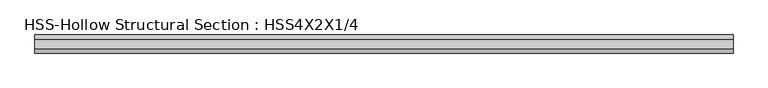
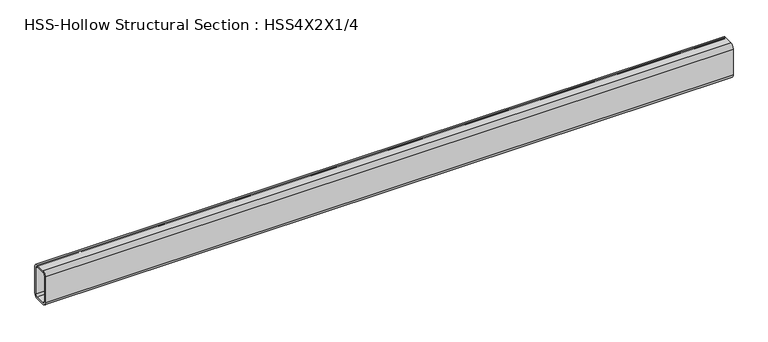
"""IFC4 building model written with IfcOpenShell, lengths in millimetres: beam geometry, HSS-Hollow Structural Section : HSS4X2X1/4."""

from ifc_helpers import new_model, si_unit, point, frame, frame_2d, origin, place, context, project, spatial, polyline, circle_curve, trimmed, segment, composite_curve, outline, extrude, source, transform, mapped, element, save


def hss_hollow_structural_section_hss4x2x1_4_acdd860f(model_context):
    return source(origin(), model_context, "Body", "SweptSolid", [
        extrude(outline(composite_curve([segment(polyline([(25.4, 38.9636), (25.4, -38.9636)]), True, "CONTINUOUS"), segment(trimmed(circle_curve(frame_2d((13.5636, -38.9636)), 11.8364), [point((25.4, -38.9636))], [point((13.5636, -50.8))], False, "CARTESIAN"), True, "CONTINUOUS"), segment(polyline([(13.5636, -50.8), (-13.5636, -50.8)]), True, "CONTINUOUS"), segment(trimmed(circle_curve(frame_2d((-13.5636, -38.9636)), 11.8364), [point((-13.5636, -50.8))], [point((-25.4, -38.9636))], False, "CARTESIAN"), True, "CONTINUOUS"), segment(polyline([(-25.4, -38.9636), (-25.4, 38.9636)]), True, "CONTINUOUS"), segment(trimmed(circle_curve(frame_2d((-13.5636, 38.9636)), 11.8364), [point((-25.4, 38.9636))], [point((-13.5636, 50.8))], False, "CARTESIAN"), True, "CONTINUOUS"), segment(polyline([(-13.5636, 50.8), (13.5636, 50.8)]), True, "CONTINUOUS"), segment(trimmed(circle_curve(frame_2d((13.5636, 38.9636)), 11.8364), [point((13.5636, 50.8))], [point((25.4, 38.9636))], False, "CARTESIAN"), True, "CONTINUOUS")], self_intersect=False), holes=[composite_curve([segment(trimmed(circle_curve(frame_2d((-13.5636, 38.9636)), 5.9182), [point((-13.5636, 44.8818))], [point((-19.4818, 38.9636))], True, "CARTESIAN"), True, "CONTINUOUS"), segment(polyline([(-19.4818, 38.9636), (-19.4818, -38.9636)]), True, "CONTINUOUS"), segment(trimmed(circle_curve(frame_2d((-13.5636, -38.9636)), 5.9182), [point((-19.4818, -38.9636))], [point((-13.5636, -44.8818))], True, "CARTESIAN"), True, "CONTINUOUS"), segment(polyline([(-13.5636, -44.8818), (13.5636, -44.8818)]), True, "CONTINUOUS"), segment(trimmed(circle_curve(frame_2d((13.5636, -38.9636)), 5.9182), [point((13.5636, -44.8818))], [point((19.4818, -38.9636))], True, "CARTESIAN"), True, "CONTINUOUS"), segment(polyline([(19.4818, -38.9636), (19.4818, 38.9636)]), True, "CONTINUOUS"), segment(trimmed(circle_curve(frame_2d((13.5636, 38.9636)), 5.9182), [point((19.4818, 38.9636))], [point((13.5636, 44.8818))], True, "CARTESIAN"), True, "CONTINUOUS"), segment(polyline([(13.5636, 44.8818), (-13.5636, 44.8818)]), True, "CONTINUOUS")], self_intersect=False)]), frame((-979.043, 0.0, 0.0), z_axis=(1.0, 0.0, 0.0), x_axis=(0.0, 1.0, 0.0)), (0.0, 0.0, 1.0), 1958.086),
    ])


if __name__ == "__main__":
    model = new_model("IFC4")
    model_context = context("Model", 3, world=origin())
    ifc_project = project(units=[si_unit("LENGTHUNIT", "METRE", prefix="MILLI")], contexts=[model_context])
    site = spatial("IfcSite", under=ifc_project)
    building = spatial("IfcBuilding", under=site)
    placement = place(None, origin())
    hss_hollow_structural_section_hss4x2x1_4_shape = hss_hollow_structural_section_hss4x2x1_4_acdd860f(model_context)
    element("IfcBeam", 1, ObjectType="HSS-Hollow Structural Section : HSS4X2X1/4", at=placement, inside=building, context=model_context, shape_type="MappedRepresentation", body=[
        mapped(hss_hollow_structural_section_hss4x2x1_4_shape, transform((0.0, 0.0, 0.0), x_axis=(1.0, 0.0, 0.0), y_axis=(0.0, 1.0, 0.0), z_axis=(0.0, 0.0, 1.0))),
    ])
    save(model, "model.ifc")
